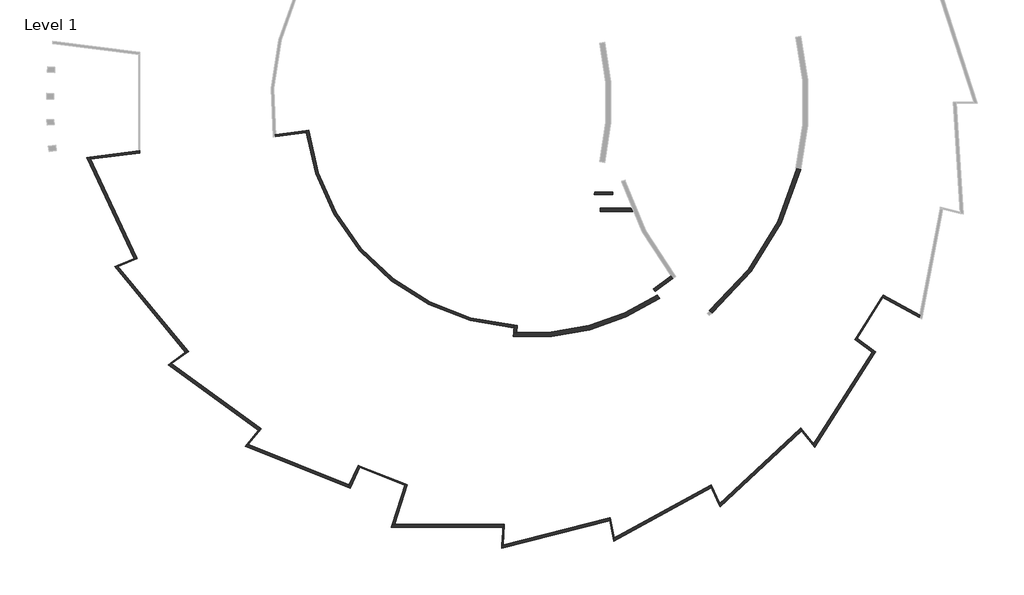
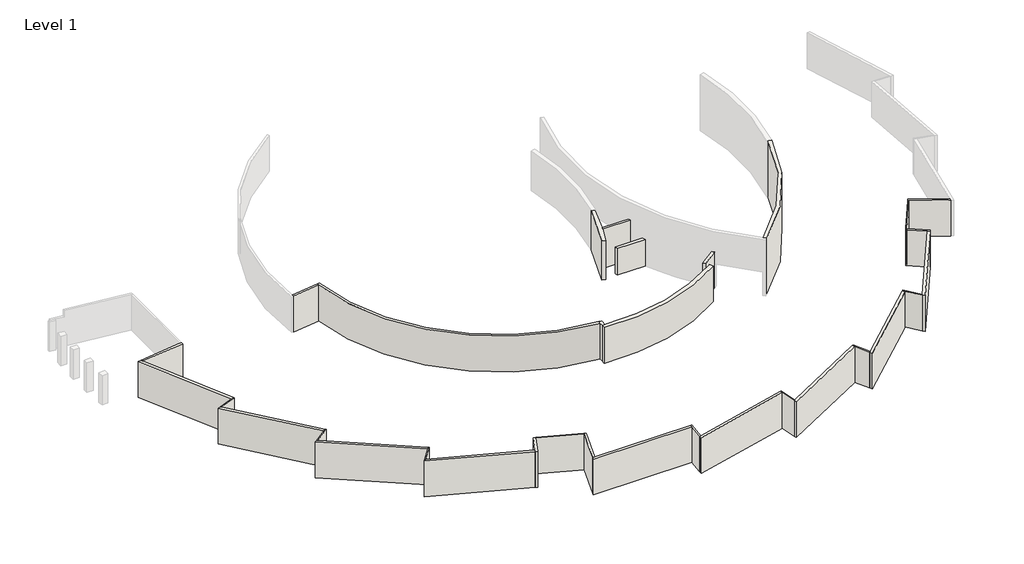
# One storey, part 1 of 3: 32 walls.
"""IFC4 building model written with IfcOpenShell, lengths in millimetres."""

from ifc_helpers import new_model, si_unit, point, frame, frame_2d, origin, origin_with_axes, place, context, project, spatial, polyline, circle_curve, trimmed, segment, composite_curve, outline, extrude, faceted_brep, element, save
from ifc_brep_helpers import plane_surface, cylinder_surface, revolved_surface, advanced_brep

model = new_model("IFC4")

# Units and contexts
model_context = context("Model", 3, world=origin())
ifc_project = project(units=[si_unit("LENGTHUNIT", "METRE", prefix="MILLI")], contexts=[model_context])

# Site, building, storey
site = spatial("IfcSite", under=ifc_project)
building = spatial("IfcBuilding", under=site)
storey = spatial("IfcBuildingStorey", under=building, Name="Level 1", Elevation=0.0)

# Walls
placement = place(None, origin())
element("IfcWall", 1, ObjectType="Generic - 10\"", at=placement, inside=storey, context=model_context, shape_type="AdvancedBrep", body=[
    advanced_brep(
    [(-6320.6791854, -18524.5549045, 0.0), (-6337.9605954, -18777.9698517, 0.0), (-24194.6720364, -1974.5698404, 0.0), (-24220.7846255, -1773.0339394, 0.0), (-23968.8866736, -1740.39647, 0.0), (-23968.8866736, -1740.39647, 3702.05), (-6320.6791854, -18524.5549045, 3702.05), (-6337.9605954, -18777.9698517, 3702.05), (-24194.6750107, -1974.549517, 3702.05), (-24220.7846255, -1773.0339394, 3702.05)],
    [
        (0, 1),
        (1, 2, circle_curve(frame((-4912.8763403, 626.1698053, 0.0), z_axis=(0.0, 0.0, -1.0), x_axis=(1.0, 0.0, 0.0)), 19456.4)),
        (2, 3, circle_curve(frame((-4912.8763403, 626.1698053, 0.0), z_axis=(0.0, 0.0, -1.0), x_axis=(1.0, 0.0, 0.0)), 19456.399769)),
        (3, 4),
        (4, 0, circle_curve(frame((-4912.8763403, 626.1698053, 0.0), z_axis=(0.0, 0.0, 1.0), x_axis=(1.0, 0.0, 0.0)), 19202.4)),
        (5, 6, circle_curve(frame((-4912.8763403, 626.1698053, 3702.05), z_axis=(0.0, 0.0, 1.0), x_axis=(1.0, 0.0, 0.0)), 19202.4)),
        (6, 0),
        (4, 5),
        (7, 8, circle_curve(frame((-4912.8763403, 626.1698053, 3702.05), z_axis=(0.0, 0.0, -1.0), x_axis=(1.0, 0.0, 0.0)), 19456.4)),
        (8, 9, circle_curve(frame((-4912.8763403, 626.1698053, 3702.05), z_axis=(0.0, 0.0, -1.0), x_axis=(1.0, 0.0, 0.0)), 19456.4)),
        (9, 3),
        (1, 7),
        (9, 5),
        (6, 7),
    ],
    [
        plane_surface(frame((14289.5236597, 626.1698053, 0.0), z_axis=(0.0, 0.0, -1.0), x_axis=(0.0, 1.0, 0.0))),
        revolved_surface(polyline([(14289.5236597, 626.1698053, 0.0), (14289.5236597, 626.1698053, 3702.05)]), (-4912.8763403, 626.1698053, 0.0), (0.0, 0.0, -1.0)),
        cylinder_surface(frame((-4912.8763403, 626.1698053, 0.0), z_axis=(0.0, 0.0, 1.0), x_axis=(1.0, 0.0, 0.0)), 19456.4),
        plane_surface(frame((-4925.9311477, 726.9275941, 0.0), z_axis=(-0.12849219893243696, 0.9917105196646384, 0.0), x_axis=(-0.9917105196646384, -0.12849219893243696, 0.0))),
        plane_surface(frame((-6253.8388426, -17544.4067657, 0.0), z_axis=(0.9976828594574237, -0.06803610765511643, 0.0), x_axis=(-0.06803610765511643, -0.9976828594574237, 0.0))),
        plane_surface(frame((-34574.7876747, -20861.6779878, 3702.05), z_axis=(0.0, 0.0, 1.0), x_axis=(1.0, 0.0, 0.0))),
    ],
    [
        (0, [[1, 2, 3, 4, 5]]),
        (1, [[6, 7, -5, 8]]),
        (2, [[9, 10, 11, -3, -2, 12]]),
        (3, [[13, -8, -4, -11]]),
        (4, [[14, -12, -1, -7]]),
        (5, [[-6, -13, -10, -9, -14]]),
    ],
),
])
element("IfcWall", 2, ObjectType="Generic - 10\"", at=placement, inside=storey, context=model_context, shape_type="Brep", body=[
    faceted_brep([(24456.1027774, -20837.2270344, 0.0), (19434.0334353, -28724.4927108, 0.0), (19376.6841803, -28814.5609236, 0.0), (19376.6841803, -28814.5609236, 3702.05), (19434.0334353, -28724.4927108, 3702.05), (24456.1027774, -20837.2270344, 3702.05), (24661.9801331, -20986.8056888, 0.0), (24661.9801331, -20986.8056888, 3702.05), (19546.8389299, -29020.2426833, 3702.05), (19546.8389299, -29020.2426833, 0.0)], [[[0, 1, 2, 3, 4, 5]], [[6, 7, 8, 9]], [[2, 1, 0, 6, 9]], [[3, 2, 9, 8]], [[0, 5, 7, 6]], [[5, 4, 3, 8, 7]]]),
])
element("IfcWall", 3, ObjectType="Generic - 10\"", at=placement, inside=storey, context=model_context, shape_type="Brep", body=[
    faceted_brep([(18232.8462753, -27431.8984139, 0.0), (11369.9175445, -33857.2179207, 0.0), (11291.9709682, -33930.1942952, 0.0), (11291.9709682, -33930.1942952, 3702.05), (11369.9175445, -33857.2179207, 3702.05), (18232.8462753, -27431.8984139, 3702.05), (18395.0569165, -27627.9773962, 0.0), (18395.0569165, -27627.9773962, 3702.05), (11405.6290198, -34171.7299497, 3702.05), (11405.6290198, -34171.7299497, 0.0)], [[[0, 1, 2, 3, 4, 5]], [[6, 7, 8, 9]], [[2, 1, 0, 6, 9]], [[3, 2, 9, 8]], [[0, 5, 7, 6]], [[5, 4, 3, 8, 7]]]),
])
element("IfcWall", 4, ObjectType="Generic - 10\"", at=placement, inside=storey, context=model_context, shape_type="Brep", body=[
    faceted_brep([(10527.9230178, -32306.5097513, 0.0), (2282.6938301, -36823.2250587, 0.0), (2189.0476024, -36874.524221, 0.0), (2189.0476024, -36874.524221, 3702.05), (2282.6938301, -36823.2250587, 3702.05), (10527.9230178, -32306.5097513, 3702.05), (10636.2746535, -32536.7686978, 0.0), (10636.2746535, -32536.7686978, 3702.05), (2239.0674027, -37136.7371967, 3702.05), (2239.0674027, -37136.7371967, 0.0)], [[[0, 1, 2, 3, 4, 5]], [[6, 7, 8, 9]], [[2, 1, 0, 6, 9]], [[3, 2, 9, 8]], [[0, 5, 7, 6]], [[5, 4, 3, 8, 7]]]),
])
element("IfcWall", 5, ObjectType="Generic - 10\"", at=placement, inside=storey, context=model_context, shape_type="Brep", body=[
    faceted_brep([(-7247.4400919, -35671.6191037, 0.0), (-16595.3455145, -35657.5577523, 0.0), (-16808.8982641, -35657.2365209, 0.0), (-16808.8982641, -35657.2365209, 3702.05), (-16595.3455145, -35657.5577523, 3702.05), (-7247.4400919, -35671.6191037, 3702.05), (-7263.4189233, -35925.5953553, 0.0), (-7263.4189233, -35925.5953553, 3702.05), (-16891.3876434, -35911.1127257, 3702.05), (-16891.3876434, -35911.1127257, 0.0)], [[[0, 1, 2, 3, 4, 5]], [[6, 7, 8, 9]], [[2, 1, 0, 6, 9]], [[3, 2, 9, 8]], [[0, 5, 7, 6]], [[5, 4, 3, 8, 7]]]),
])
element("IfcWall", 6, ObjectType="Generic - 10\"", at=placement, inside=storey, context=model_context, shape_type="Brep", body=[
    faceted_brep([(-20492.8994981, -32244.4434643, 0.0), (-29181.5019704, -28789.2549882, 0.0), (-29280.7210064, -28749.7986463, 0.0), (-29280.7210064, -28749.7986463, 3702.05), (-29181.5019704, -28789.2549882, 3702.05), (-20492.8994981, -32244.4434643, 3702.05), (-20601.2511337, -32474.7024108, 0.0), (-20601.2511337, -32474.7024108, 3702.05), (-29450.8757559, -28955.480406, 3702.05), (-29450.8757559, -28955.480406, 0.0)], [[[0, 1, 2, 3, 4, 5]], [[6, 7, 8, 9]], [[2, 1, 0, 6, 9]], [[3, 2, 9, 8]], [[0, 5, 7, 6]], [[5, 4, 3, 8, 7]]]),
])
element("IfcWall", 7, ObjectType="Generic - 10\"", at=placement, inside=storey, context=model_context, shape_type="Brep", body=[
    faceted_brep([(-28136.8831013, -27367.1361366, 0.0), (-35734.3771421, -21829.7535575, 0.0), (-35820.6666364, -21766.8620383, 0.0), (-35820.6666364, -21766.8620383, 3702.05), (-35734.3771421, -21829.7535575, 3702.05), (-28136.8831013, -27367.1361366, 3702.05), (-28299.0937426, -27563.2151189, 0.0), (-28299.0937426, -27563.2151189, 3702.05), (-36036.6266352, -21923.7661618, 3702.05), (-36036.6266352, -21923.7661618, 0.0)], [[[0, 1, 2, 3, 4, 5]], [[6, 7, 8, 9]], [[2, 1, 0, 6, 9]], [[3, 2, 9, 8]], [[0, 5, 7, 6]], [[5, 4, 3, 8, 7]]]),
])
element("IfcWall", 8, ObjectType="Generic - 10\"", at=placement, inside=storey, context=model_context, shape_type="Brep", body=[
    faceted_brep([(-34368.910319, -20712.0993334, 0.0), (-40350.6240649, -13459.2638748, 0.0), (-40418.5621313, -13376.8888838, 0.0), (-40418.5621313, -13376.8888838, 3702.05), (-40350.6240649, -13459.2638748, 3702.05), (-34368.910319, -20712.0993334, 3702.05), (-34574.7876747, -20861.6779878, 0.0), (-34574.7876747, -20861.6779878, 3702.05), (-40666.7578184, -13475.156508, 3702.05), (-40666.7578184, -13475.156508, 0.0)], [[[0, 1, 2, 3, 4, 5]], [[6, 7, 8, 9]], [[2, 1, 0, 6, 9]], [[3, 2, 9, 8]], [[0, 5, 7, 6]], [[5, 4, 3, 8, 7]]]),
])
element("IfcWall", 9, ObjectType="Generic - 10\"", at=placement, inside=storey, context=model_context, shape_type="Brep", body=[
    faceted_brep([(-38750.1065901, -12716.3006036, 0.0), (-42717.5280474, -4252.0758611, 0.0), (-42808.163727, -4058.7107825, 0.0), (-42808.163727, -4058.7107825, 3702.05), (-42717.5280474, -4252.0758611, 3702.05), (-38750.1065901, -12716.3006036, 3702.05), (-38986.7146287, -12809.9803532, 0.0), (-38986.7146287, -12809.9803532, 3702.05), (-43073.0000546, -4092.1673912, 3702.05), (-43073.0000546, -4092.1673912, 0.0)], [[[0, 1, 2, 3, 4, 5]], [[6, 7, 8, 9]], [[2, 1, 0, 6, 9]], [[3, 2, 9, 8]], [[0, 5, 7, 6]], [[5, 4, 3, 8, 7]]]),
])
element("IfcWall", 10, ObjectType="Generic - 10\"", at=placement, inside=storey, context=model_context, shape_type="SweptSolid", body=[
    extrude(outline(composite_curve([segment(trimmed(circle_curve(frame_2d((25871.9236597, 626.1698053)), 23926.8), [point((7170.1048478, -14298.0967217))], [point((7329.5883462, -14495.7863963))], True, "CARTESIAN"), True, "CONTINUOUS"), segment(trimmed(circle_curve(frame_2d((-4912.8763403, 626.1698053)), 19456.4), [point((7329.5883462, -14495.7863963))], [point((5798.6908202, -15616.1770057))], False, "CARTESIAN"), True, "CONTINUOUS"), segment(polyline([(5798.6908202, -15616.1770057), (5658.8531288, -15404.1359246)]), True, "CONTINUOUS"), segment(trimmed(circle_curve(frame_2d((-4912.8763403, 626.1698053)), 19202.4), [point((5658.8531288, -15404.1359246))], [point((7170.1048478, -14298.0967217))], True, "CARTESIAN"), True, "CONTINUOUS")], self_intersect=False)), origin_with_axes(), (0.0, 0.0, 1.0), 3702.05),
])
element("IfcWall", 11, ObjectType="Generic - 10\"", at=placement, inside=storey, context=model_context, shape_type="AdvancedBrep", body=[
    advanced_brep(
    [(-6320.6791854, -18524.5549045, 0.0), (-6337.9605954, -18777.9698517, 0.0), (-6362.1545593, -19132.7506269, 0.0), (-6362.1545593, -19132.7506269, 3702.05), (-6337.9605954, -18777.9698517, 3702.05), (-6320.6791854, -18524.5549045, 3702.05), (-6067.2448798, -18541.5008679, 0.0), (-6067.2448798, -18541.5008679, 3702.05), (-6108.7209571, -19149.7069048, 3702.05), (-6108.7209571, -19149.7069048, 0.0)],
    [
        (0, 1),
        (1, 2),
        (2, 3),
        (3, 4),
        (4, 5),
        (5, 0),
        (6, 7),
        (7, 8),
        (8, 9),
        (9, 6),
        (0, 6, circle_curve(frame((-4912.8763403, 626.1698053, 0.0), z_axis=(0.0, 0.0, 1.0), x_axis=(1.0, 0.0, 0.0)), 19202.4)),
        (9, 2, circle_curve(frame((-4912.8763403, 626.1698053, 0.0), z_axis=(0.0, 0.0, -1.0), x_axis=(1.0, 0.0, 0.0)), 19812.0)),
        (5, 7, circle_curve(frame((-4912.8763403, 626.1698053, 3702.05), z_axis=(0.0, 0.0, 1.0), x_axis=(1.0, 0.0, 0.0)), 19202.4)),
        (8, 3, circle_curve(frame((-4912.8763403, 626.1698053, 3702.05), z_axis=(0.0, 0.0, -1.0), x_axis=(1.0, 0.0, 0.0)), 19812.0)),
    ],
    [
        plane_surface(frame((-6253.8388426, -17544.4067657, 0.0), z_axis=(-0.9976828594574237, 0.06803610765511643, 0.0), x_axis=(-0.06803610765511643, -0.9976828594574237, 0.0))),
        plane_surface(frame((-6000.4273963, -17561.687937, 0.0), z_axis=(0.9976828594574237, -0.06803610765511643, 0.0), x_axis=(0.06803610765511643, 0.9976828594574237, 0.0))),
        plane_surface(frame((-6329.3369227, -18651.5121399, 0.0), z_axis=(0.0, 0.0, -1.0), x_axis=(0.997682859457424, -0.06803610765511221, 0.0))),
        revolved_surface(polyline([(14289.5236597, 626.1698053, 0.0), (14289.5236597, 626.1698053, 3702.05)]), (-4912.8763403, 626.1698053, 0.0), (0.0, 0.0, -1.0)),
        cylinder_surface(frame((-4912.8763403, 626.1698053, 0.0), z_axis=(0.0, 0.0, -1.0), x_axis=(1.0, 0.0, 0.0)), 19812.0),
        plane_surface(frame((-34574.7876747, -20861.6779878, 3702.05), z_axis=(0.0, 0.0, 1.0), x_axis=(1.0, 0.0, 0.0))),
    ],
    [
        (0, [[1, 2, 3, 4, 5, 6]]),
        (1, [[7, 8, 9, 10]]),
        (2, [[-2, -1, 11, -10, 12]]),
        (3, [[-6, 13, -7, -11]]),
        (4, [[-3, -12, -9, 14]]),
        (5, [[-5, -4, -14, -8, -13]]),
    ],
),
])
element("IfcWall", 12, ObjectType="MASONRY WALL - 10\"", at=placement, inside=storey, context=model_context, shape_type="Brep", body=[
    faceted_brep([(1852.7975494, -35111.8397141, 0.0), (-7256.6540217, -37436.1489882, 0.0), (-7360.1157638, -37462.5476231, 0.0), (-7360.1157638, -37462.5476231, 3702.05), (-7256.6540217, -37436.1489882, 3702.05), (1852.7975494, -35111.8397141, 3702.05), (1900.4820478, -35361.8106085, 0.0), (1900.4820478, -35361.8106085, 3702.05), (-7376.8771429, -37728.9621146, 3702.05), (-7376.8771429, -37728.9621146, 0.0)], [[[0, 1, 2, 3, 4, 5]], [[6, 7, 8, 9]], [[2, 1, 0, 6, 9]], [[3, 2, 9, 8]], [[0, 5, 7, 6]], [[5, 4, 3, 8, 7]]]),
])
element("IfcWall", 13, ObjectType="MASONRY WALL - 12-1/2\"", at=placement, inside=storey, context=model_context, shape_type="AdvancedBrep", body=[
    advanced_brep(
    [(18001.9291929, -5058.0833443, 5759.45), (10479.5236597, -17275.5918044, 5759.45), (10724.6561886, -17483.477752, 5759.45), (18310.0895685, -5134.5256944, 5759.45), (18001.9291929, -5058.0833443, 0.0), (18310.0895685, -5134.5256944, 0.0), (10724.6561886, -17483.477752, 0.0), (10491.1568111, -17285.5877186, 0.0), (10479.5236597, -17275.5918044, 0.0)],
    [
        (0, 1, circle_curve(frame((-4912.8763403, 626.1698053, 5759.45), z_axis=(0.0, 0.0, -1.0), x_axis=(1.0, 0.0, 0.0)), 23609.3)),
        (1, 2, circle_curve(frame((25871.9236597, 626.1698053, 5759.45), z_axis=(0.0, 0.0, 1.0), x_axis=(1.0, 0.0, 0.0)), 23609.3)),
        (2, 3, circle_curve(frame((-4912.8763403, 626.1698053, 5759.45), z_axis=(0.0, 0.0, 1.0), x_axis=(1.0, 0.0, 0.0)), 23926.8)),
        (3, 0),
        (4, 5),
        (5, 6, circle_curve(frame((-4912.8763403, 626.1698053, 0.0), z_axis=(0.0, 0.0, -1.0), x_axis=(1.0, 0.0, 0.0)), 23926.8)),
        (6, 7, circle_curve(frame((25871.9236597, 626.1698053, 0.0), z_axis=(0.0, 0.0, -1.0), x_axis=(1.0, 0.0, 0.0)), 23609.3)),
        (7, 8, circle_curve(frame((25871.9236597, 626.1698053, 0.0), z_axis=(0.0, 0.0, -1.0), x_axis=(1.0, 0.0, 0.0)), 23609.2999991)),
        (8, 4, circle_curve(frame((-4912.8763403, 626.1698053, 0.0), z_axis=(0.0, 0.0, 1.0), x_axis=(1.0, 0.0, 0.0)), 23609.3)),
        (0, 4),
        (8, 1),
        (2, 6),
        (5, 3),
    ],
    [
        plane_surface(frame((18696.4236597, 626.1698053, 5759.45), z_axis=(0.0, 0.0, 1.0), x_axis=(0.0, -1.0, 0.0))),
        plane_surface(frame((18696.4236597, 626.1698053, 0.0), z_axis=(0.0, 0.0, -1.0), x_axis=(0.0, 1.0, 0.0))),
        revolved_surface(polyline([(18696.423659699998, 626.1698053, 0.0), (18696.423659699998, 626.1698053, 5759.45)]), (-4912.8763403, 626.1698053, 0.0), (0.0, 0.0, -1.0)),
        cylinder_surface(frame((-4912.8763403, 626.1698053, 0.0), z_axis=(0.0, 0.0, 1.0), x_axis=(1.0, 0.0, 0.0)), 23926.8),
        plane_surface(frame((18310.0895685, -5134.5256944, 5759.45), z_axis=(0.240763307239224, 0.9705838603063782, 0.0), x_axis=(0.0, 0.0, -1.0))),
        cylinder_surface(frame((25871.9236597, 626.1698053, 0.0), z_axis=(0.0, 0.0, -1.0), x_axis=(1.0, 0.0, 0.0)), 23609.3),
    ],
    [
        (0, [[1, 2, 3, 4]]),
        (1, [[5, 6, 7, 8, 9]]),
        (2, [[-1, 10, -9, 11]]),
        (3, [[-3, 12, -6, 13]]),
        (4, [[-4, -13, -5, -10]]),
        (5, [[-2, -11, -8, -7, -12]]),
    ],
),
])
element("IfcWall", 14, ObjectType="MASONRY WALL - 12-1/2\"", at=placement, inside=storey, context=model_context, shape_type="AdvancedBrep", body=[
    advanced_brep(
    [(1052.0686943, -4440.8076563, 4064.0), (-356.3846938, -8708.8954584, 4064.0), (-65.9928945, -8837.2654428, 4064.0), (559.1388968, -7273.2330593, 4064.0), (630.940231, -7070.0266724, 4064.0), (1361.8286645, -4510.4855642, 4064.0), (1052.0686943, -4440.8076563, 0.0), (1361.8286645, -4510.4855642, 0.0), (630.940231, -7070.0266724, 0.0), (559.1388968, -7273.2330593, 0.0), (-65.9928945, -8837.2654428, 0.0), (-356.3846938, -8708.8954584, 0.0)],
    [
        (0, 1, circle_curve(frame((-21473.6763403, 626.1698053, 4064.0), z_axis=(0.0, 0.0, -1.0), x_axis=(1.0, 0.0, 0.0)), 23088.6)),
        (1, 2),
        (2, 3, circle_curve(frame((-21473.6763403, 626.1698053, 4064.0), z_axis=(0.0, 0.0, 1.0), x_axis=(1.0, 0.0, 0.0)), 23406.1)),
        (3, 4, circle_curve(frame((-21473.6763403, 626.1698053, 4064.0), z_axis=(0.0, 0.0, 1.0), x_axis=(1.0, 0.0, 0.0)), 23406.0999077)),
        (4, 5, circle_curve(frame((-21473.6763403, 626.1698053, 4064.0), z_axis=(0.0, 0.0, 1.0), x_axis=(1.0, 0.0, 0.0)), 23406.0999312)),
        (5, 0),
        (6, 7),
        (7, 8, circle_curve(frame((-21473.6763403, 626.1698053, 0.0), z_axis=(0.0, 0.0, -1.0), x_axis=(1.0, 0.0, 0.0)), 23406.1)),
        (8, 9, circle_curve(frame((-21473.6763403, 626.1698053, 0.0), z_axis=(0.0, 0.0, -1.0), x_axis=(1.0, 0.0, 0.0)), 23406.0999312)),
        (9, 10, circle_curve(frame((-21473.6763403, 626.1698053, 0.0), z_axis=(0.0, 0.0, -1.0), x_axis=(1.0, 0.0, 0.0)), 23406.0999077)),
        (10, 11),
        (11, 6, circle_curve(frame((-21473.6763403, 626.1698053, 0.0), z_axis=(0.0, 0.0, 1.0), x_axis=(1.0, 0.0, 0.0)), 23088.6)),
        (0, 6),
        (11, 1),
        (10, 2),
        (7, 5),
    ],
    [
        plane_surface(frame((1614.9236597, 626.1698053, 4064.0), z_axis=(0.0, 0.0, 1.0), x_axis=(0.0, -1.0, 0.0))),
        plane_surface(frame((1614.9236597, 626.1698053, 0.0), z_axis=(0.0, 0.0, -1.0), x_axis=(0.0, 1.0, 0.0))),
        revolved_surface(polyline([(1614.923659699998, 626.1698053, 0.0), (1614.923659699998, 626.1698053, 4064.0)]), (-21473.6763403, 626.1698053, 0.0), (0.0, 0.0, -1.0)),
        plane_surface(frame((-356.3846938, -8708.8954584, 4064.0), z_axis=(-0.40431491141423936, -0.9146198403752763, 0.0), x_axis=(0.0, 0.0, -1.0))),
        cylinder_surface(frame((-21473.6763403, 626.1698053, 0.0), z_axis=(0.0, 0.0, 1.0), x_axis=(1.0, 0.0, 0.0)), 23406.1),
        plane_surface(frame((1361.8286645, -4510.4855642, 4064.0), z_axis=(0.21945797759840693, 0.9756219534575968, 0.0), x_axis=(0.0, 0.0, -1.0))),
    ],
    [
        (0, [[1, 2, 3, 4, 5, 6]]),
        (1, [[7, 8, 9, 10, 11, 12]]),
        (2, [[-1, 13, -12, 14]]),
        (3, [[-2, -14, -11, 15]]),
        (4, [[-5, -4, -3, -15, -10, -9, -8, 16]]),
        (5, [[-6, -16, -7, -13]]),
    ],
),
])
element("IfcWall", 15, ObjectType="MASONRY WALL - 12-1/2\"", at=placement, inside=storey, context=model_context, shape_type="SweptSolid", body=[
    extrude(outline(composite_curve([segment(polyline([(3862.6551087, -8759.1301947), (1102.4071055, -8759.1301947), (1102.4071055, -8441.6301947), (3729.9553326, -8441.6301947)]), True, "CONTINUOUS"), segment(trimmed(circle_curve(frame_2d((25871.9236597, 626.1698053)), 23926.8), [point((3729.9553326, -8441.6301947))], [point((3862.6551087, -8759.1301947))], True, "CARTESIAN"), True, "CONTINUOUS")], self_intersect=False)), origin_with_axes(), (0.0, 0.0, 1.0), 2743.2),
])
element("IfcWall", 16, ObjectType="MASONRY WALL - 15\"", at=placement, inside=storey, context=model_context, shape_type="AdvancedBrep", body=[
    advanced_brep(
    [(5994.4635881, -15913.0345192, 0.0), (6204.2201252, -16231.0961408, 0.0), (-6388.0766507, -19512.8727004, 0.0), (-6362.1545593, -19132.7506269, 0.0), (-6108.7011849, -19149.7079157, 0.0), (-6362.1545593, -19132.7506269, 3702.05), (-6108.7209571, -19149.7069048, 3702.05), (5909.5037315, -15968.7521163, 3702.05), (5994.4635881, -15913.0345192, 3702.05), (6204.2201252, -16231.0961408, 3702.05), (-6388.0766507, -19512.8727004, 3702.05)],
    [
        (0, 1),
        (1, 2, circle_curve(frame((-4912.8763403, 626.1698053, 0.0), z_axis=(0.0, 0.0, -1.0), x_axis=(1.0, 0.0, 0.0)), 20193.0)),
        (2, 3),
        (3, 4, circle_curve(frame((-4912.8763403, 626.1698053, 0.0), z_axis=(0.0, 0.0, 1.0), x_axis=(1.0, 0.0, 0.0)), 19812.0)),
        (4, 0, circle_curve(frame((-4912.8763403, 626.1698053, 0.0), z_axis=(0.0, 0.0, 1.0), x_axis=(1.0, 0.0, 0.0)), 19811.9998156)),
        (5, 6, circle_curve(frame((-4912.8763403, 626.1698053, 3702.05), z_axis=(0.0, 0.0, 1.0), x_axis=(1.0, 0.0, 0.0)), 19812.0)),
        (6, 7, circle_curve(frame((-4912.8763403, 626.1698053, 3702.05), z_axis=(0.0, 0.0, 1.0), x_axis=(1.0, 0.0, 0.0)), 19812.0)),
        (7, 8, circle_curve(frame((-4912.8763403, 626.1698053, 3702.05), z_axis=(0.0, 0.0, 1.0), x_axis=(1.0, 0.0, 0.0)), 19812.0)),
        (8, 0),
        (3, 5),
        (9, 10, circle_curve(frame((-4912.8763403, 626.1698053, 3702.05), z_axis=(0.0, 0.0, -1.0), x_axis=(1.0, 0.0, 0.0)), 20193.0)),
        (10, 2),
        (1, 9),
        (8, 9),
        (10, 5),
    ],
    [
        plane_surface(frame((14899.1236597, 626.1698053, 0.0), z_axis=(0.0, 0.0, -1.0), x_axis=(0.0, 1.0, 0.0))),
        revolved_surface(polyline([(14899.123659699999, 626.1698053, 0.0), (14899.123659699999, 626.1698053, 3702.05)]), (-4912.8763403, 626.1698053, 0.0), (0.0, 0.0, -1.0)),
        cylinder_surface(frame((-4912.8763403, 626.1698053, 0.0), z_axis=(0.0, 0.0, 1.0), x_axis=(1.0, 0.0, 0.0)), 20193.0),
        plane_surface(frame((6204.2201252, -16231.0961408, 4064.0), z_axis=(0.8348074058383347, 0.5505420920851284, 0.0), x_axis=(0.0, 0.0, -1.0))),
        plane_surface(frame((-6253.8388426, -17544.4067657, 0.0), z_axis=(-0.9976828594574237, 0.06803610765511643, 0.0), x_axis=(-0.06803610765511643, -0.9976828594574237, 0.0))),
        plane_surface(frame((-34574.7876747, -20861.6779878, 3702.05), z_axis=(0.0, 0.0, 1.0), x_axis=(1.0, 0.0, 0.0))),
    ],
    [
        (0, [[1, 2, 3, 4, 5]]),
        (1, [[6, 7, 8, 9, -5, -4, 10]]),
        (2, [[11, 12, -2, 13]]),
        (3, [[14, -13, -1, -9]]),
        (4, [[15, -10, -3, -12]]),
        (5, [[-8, -7, -6, -15, -11, -14]]),
    ],
),
])
element("IfcWall", 17, ObjectType="MASONRY WALL - 4\"", at=placement, inside=storey, context=model_context, shape_type="Brep", body=[
    faceted_brep([(18232.8462753, -27431.8984139, 0.0), (18395.0569165, -27627.9773962, 0.0), (19376.6841803, -28814.5609236, 0.0), (19376.6841803, -28814.5609236, 3702.05), (18395.0569165, -27627.9773962, 3702.05), (18232.8462753, -27431.8984139, 3702.05), (18307.153717, -27362.3291275, 0.0), (18307.153717, -27362.3291275, 3702.05), (19434.0334353, -28724.4927108, 3702.05), (19434.0334353, -28724.4927108, 0.0)], [[[0, 1, 2, 3, 4, 5]], [[6, 7, 8, 9]], [[2, 1, 0, 6, 9]], [[0, 5, 7, 6]], [[3, 2, 9, 8]], [[5, 4, 3, 8, 7]]]),
])
element("IfcWall", 18, ObjectType="MASONRY WALL - 4\"", at=placement, inside=storey, context=model_context, shape_type="Brep", body=[
    faceted_brep([(10527.9230178, -32306.5097513, 0.0), (10636.2746535, -32536.7686978, 0.0), (11291.9709682, -33930.1942952, 0.0), (11291.9709682, -33930.1942952, 3702.05), (10636.2746535, -32536.7686978, 3702.05), (10527.9230178, -32306.5097513, 3702.05), (10617.1971326, -32257.6056212, 0.0), (10617.1971326, -32257.6056212, 3702.05), (11369.9175445, -33857.2179207, 3702.05), (11369.9175445, -33857.2179207, 0.0)], [[[0, 1, 2, 3, 4, 5]], [[6, 7, 8, 9]], [[2, 1, 0, 6, 9]], [[0, 5, 7, 6]], [[3, 2, 9, 8]], [[5, 4, 3, 8, 7]]]),
])
element("IfcWall", 19, ObjectType="MASONRY WALL - 4\"", at=placement, inside=storey, context=model_context, shape_type="Brep", body=[
    faceted_brep([(1852.7975494, -35111.8397141, 0.0), (1900.4820478, -35361.8106085, 0.0), (2189.0476024, -36874.524221, 0.0), (2189.0476024, -36874.524221, 3702.05), (1900.4820478, -35361.8106085, 3702.05), (1852.7975494, -35111.8397141, 3702.05), (1951.4289163, -35086.6735668, 0.0), (1951.4289163, -35086.6735668, 3702.05), (2282.6938301, -36823.2250587, 3702.05), (2282.6938301, -36823.2250587, 0.0)], [[[0, 1, 2, 3, 4, 5]], [[6, 7, 8, 9]], [[2, 1, 0, 6, 9]], [[0, 5, 7, 6]], [[3, 2, 9, 8]], [[5, 4, 3, 8, 7]]]),
])
element("IfcWall", 20, ObjectType="MASONRY WALL - 4\"", at=placement, inside=storey, context=model_context, shape_type="Brep", body=[
    faceted_brep([(-7247.4400919, -35671.6191037, 0.0), (-7263.4189233, -35925.5953553, 0.0), (-7360.1157638, -37462.5476231, 0.0), (-7360.1157638, -37462.5476231, 3702.05), (-7263.4189233, -35925.5953553, 3702.05), (-7247.4400919, -35671.6191037, 3702.05), (-7145.6488444, -35671.7722206, 0.0), (-7145.6488444, -35671.7722206, 3702.05), (-7256.6540217, -37436.1489882, 3702.05), (-7256.6540217, -37436.1489882, 0.0)], [[[0, 1, 2, 3, 4, 5]], [[6, 7, 8, 9]], [[2, 1, 0, 6, 9]], [[0, 5, 7, 6]], [[3, 2, 9, 8]], [[5, 4, 3, 8, 7]]]),
])
element("IfcWall", 21, ObjectType="MASONRY WALL - 4\"", at=placement, inside=storey, context=model_context, shape_type="Brep", body=[
    faceted_brep([(-28136.8831013, -27367.1361366, 0.0), (-28299.0937426, -27563.2151189, 0.0), (-29280.7210064, -28749.7986463, 0.0), (-29280.7210064, -28749.7986463, 3702.05), (-28299.0937426, -27563.2151189, 3702.05), (-28136.8831013, -27367.1361366, 3702.05), (-28054.6222521, -27427.0914049, 0.0), (-28054.6222521, -27427.0914049, 3702.05), (-29181.5019704, -28789.2549882, 3702.05), (-29181.5019704, -28789.2549882, 0.0)], [[[0, 1, 2, 3, 4, 5]], [[6, 7, 8, 9]], [[2, 1, 0, 6, 9]], [[0, 5, 7, 6]], [[3, 2, 9, 8]], [[5, 4, 3, 8, 7]]]),
])
element("IfcWall", 22, ObjectType="MASONRY WALL - 4\"", at=placement, inside=storey, context=model_context, shape_type="Brep", body=[
    faceted_brep([(-34368.910319, -20712.0993334, 0.0), (-34574.7876747, -20861.6779878, 0.0), (-35820.6666364, -21766.8620383, 0.0), (-35820.6666364, -21766.8620383, 3702.05), (-34574.7876747, -20861.6779878, 3702.05), (-34368.910319, -20712.0993334, 3702.05), (-34304.1441145, -20790.628438, 0.0), (-34304.1441145, -20790.628438, 3702.05), (-35734.3771421, -21829.7535575, 3702.05), (-35734.3771421, -21829.7535575, 0.0)], [[[0, 1, 2, 3, 4, 5]], [[6, 7, 8, 9]], [[2, 1, 0, 6, 9]], [[0, 5, 7, 6]], [[3, 2, 9, 8]], [[5, 4, 3, 8, 7]]]),
])
element("IfcWall", 23, ObjectType="MASONRY WALL - 4\"", at=placement, inside=storey, context=model_context, shape_type="Brep", body=[
    faceted_brep([(-38750.1065901, -12716.3006036, 0.0), (-38986.7146287, -12809.9803532, 0.0), (-40418.5621313, -13376.8888838, 0.0), (-40418.5621313, -13376.8888838, 3702.05), (-38986.7146287, -12809.9803532, 3702.05), (-38750.1065901, -12716.3006036, 3702.05), (-38706.9045292, -12808.469272, 0.0), (-38706.9045292, -12808.469272, 3702.05), (-40350.6240649, -13459.2638748, 3702.05), (-40350.6240649, -13459.2638748, 0.0)], [[[0, 1, 2, 3, 4, 5]], [[6, 7, 8, 9]], [[2, 1, 0, 6, 9]], [[0, 5, 7, 6]], [[3, 2, 9, 8]], [[5, 4, 3, 8, 7]]]),
])
element("IfcWall", 24, ObjectType="MASONRY WALL - 4\"", at=placement, inside=storey, context=model_context, shape_type="SweptSolid", body=[
    extrude(outline(polyline([(-19523.5942366, -30661.8074929), (-15682.1411136, -32189.4345887), (-15713.6023289, -32286.2622528), (-19566.9348908, -30753.9110715), (-19523.5942366, -30661.8074929)])), origin_with_axes(), (0.0, 0.0, 1.0), 3702.05),
])
element("IfcWall", 25, ObjectType="MASONRY WALL - 4\"", at=placement, inside=storey, context=model_context, shape_type="SweptSolid", body=[
    extrude(outline(polyline([(25392.7318266, -16150.4204172), (23165.4802766, -19648.3658869), (23083.1293343, -19588.5344251), (25303.5144905, -16101.3727716), (25392.7318266, -16150.4204172)])), origin_with_axes(), (0.0, 0.0, 1.0), 3702.05),
])
element("IfcWall", 26, ObjectType="MASONRY WALL - 8\"", at=placement, inside=storey, context=model_context, shape_type="SweptSolid", body=[
    extrude(outline(composite_curve([segment(polyline([(-26840.5185829, -2112.4630067), (-24220.7846255, -1773.0339394)]), True, "CONTINUOUS"), segment(trimmed(circle_curve(frame_2d((-4912.8763403, 626.1698053)), 19456.4), [point((-24220.7846255, -1773.0339394))], [point((-24194.6750107, -1974.549517))], True, "CARTESIAN"), True, "CONTINUOUS"), segment(polyline([(-24194.6750107, -1974.549517), (-26814.4089681, -2313.9785843)]), True, "CONTINUOUS"), segment(trimmed(circle_curve(frame_2d((-4912.8763403, 626.1698053)), 22098.0), [point((-26814.4089681, -2313.9785843))], [point((-26840.5185829, -2112.4630067))], False, "CARTESIAN"), True, "CONTINUOUS")], self_intersect=False)), origin_with_axes(), (0.0, 0.0, 1.0), 3702.05),
])
element("IfcWall", 27, ObjectType="MASONRY WALL - 8\"", at=placement, inside=storey, context=model_context, shape_type="Brep", body=[
    faceted_brep([(25303.5144905, -16101.3727716, 0.0), (25392.7318266, -16150.4204172, 0.0), (28498.7588805, -17857.9732399, 0.0), (28498.7588805, -17857.9732399, 3702.05), (27132.4698811, -17106.8495062, 3702.05), (25392.7318266, -16150.4204172, 3702.05), (25303.5144905, -16101.3727716, 3702.05), (25412.8787061, -15929.6139676, 0.0), (25412.8787061, -15929.6139676, 3702.05), (28539.0902169, -17648.2632894, 3702.05), (28539.0902169, -17648.2632894, 0.0)], [[[0, 1, 2, 3, 4, 5, 6]], [[7, 8, 9, 10]], [[2, 1, 0, 7, 10]], [[0, 6, 8, 7]], [[3, 2, 10, 9]], [[6, 5, 4, 3, 9, 8]]]),
])
element("IfcWall", 28, ObjectType="MASONRY WALL - 8\"", at=placement, inside=storey, context=model_context, shape_type="Brep", body=[
    faceted_brep([(22973.7858167, -19760.2607224, 0.0), (24456.1027774, -20837.2270344, 0.0), (24661.9801331, -20986.8056888, 0.0), (24661.9801331, -20986.8056888, 3702.05), (24456.1027774, -20837.2270344, 3702.05), (22973.7858167, -19760.2607224, 3702.05), (23083.1293343, -19588.5344251, 0.0), (23083.1293343, -19588.5344251, 3702.05), (23165.4802766, -19648.3658869, 3702.05), (24771.3236507, -20815.0793915, 3702.05), (24771.3236507, -20815.0793915, 0.0), (23165.4802766, -19648.3658869, 0.0)], [[[0, 1, 2, 3, 4, 5]], [[6, 7, 8, 9, 10, 11]], [[2, 1, 0, 6, 11, 10]], [[3, 2, 10, 9]], [[0, 5, 7, 6]], [[5, 4, 3, 9, 8, 7]]]),
])
element("IfcWall", 29, ObjectType="MASONRY WALL - 8\"", at=placement, inside=storey, context=model_context, shape_type="Brep", body=[
    faceted_brep([(-15682.1411136, -32189.4345887, 0.0), (-15713.6023289, -32286.2622528, 0.0), (-16808.8982641, -35657.2365209, 0.0), (-16808.8982641, -35657.2365209, 3702.05), (-16327.0960256, -34174.4017033, 3702.05), (-15713.6023289, -32286.2622528, 3702.05), (-15682.1411136, -32189.4345887, 3702.05), (-15492.9318198, -32264.6772729, 0.0), (-15492.9318198, -32264.6772729, 3702.05), (-16595.3455145, -35657.5577523, 3702.05), (-16595.3455145, -35657.5577523, 0.0)], [[[0, 1, 2, 3, 4, 5, 6]], [[7, 8, 9, 10]], [[2, 1, 0, 7, 10]], [[0, 6, 8, 7]], [[3, 2, 10, 9]], [[6, 5, 4, 3, 9, 8]]]),
])
element("IfcWall", 30, ObjectType="MASONRY WALL - 8\"", at=placement, inside=storey, context=model_context, shape_type="Brep", body=[
    faceted_brep([(-19712.7677211, -30586.579049, 0.0), (-20492.8994981, -32244.4434643, 0.0), (-20601.2511337, -32474.7024108, 0.0), (-20601.2511337, -32474.7024108, 3702.05), (-20492.8994981, -32244.4434643, 3702.05), (-19712.7677211, -30586.579049, 3702.05), (-19523.5942366, -30661.8074929, 0.0), (-19523.5942366, -30661.8074929, 3702.05), (-19566.9348908, -30753.9110715, 3702.05), (-20412.0776492, -32549.9308548, 3702.05), (-20412.0776492, -32549.9308548, 0.0), (-19566.9348908, -30753.9110715, 0.0)], [[[0, 1, 2, 3, 4, 5]], [[6, 7, 8, 9, 10, 11]], [[2, 1, 0, 6, 11, 10]], [[3, 2, 10, 9]], [[0, 5, 7, 6]], [[5, 4, 3, 9, 8, 7]]]),
])
element("IfcWall", 31, ObjectType="MASONRY WALL - 8\"", at=placement, inside=storey, context=model_context, shape_type="Brep", body=[
    faceted_brep([(-38501.6451844, -3514.6709718, 0.0), (-38603.2451844, -3527.5060366, 0.0), (-42808.163727, -4058.7107825, 0.0), (-42808.163727, -4058.7107825, 3702.05), (-38603.2451844, -3527.5060366, 3702.05), (-38501.6451844, -3514.6709718, 3702.05), (-38501.6451844, -3719.4859994, 0.0), (-38501.6451844, -3719.4859994, 3702.05), (-42717.5280474, -4252.0758611, 3702.05), (-42717.5280474, -4252.0758611, 0.0)], [[[0, 1, 2, 3, 4, 5]], [[6, 7, 8, 9]], [[2, 1, 0, 6, 9]], [[0, 5, 7, 6]], [[3, 2, 9, 8]], [[5, 4, 3, 8, 7]]]),
])
element("IfcWall", 32, ObjectType="MASONRY WALL - 8\"", at=placement, inside=storey, context=model_context, shape_type="AdvancedBrep", body=[
    advanced_brep(
    [(559.1400219, -7273.2301947, 0.0), (2184.6445888, -7273.2301947, 0.0), (2184.6445888, -7273.2301947, 1651.0), (3526.1265943, -7273.2301947, 1651.0), (3526.1265943, -7273.2301947, 4064.0), (559.1400219, -7273.2301947, 4064.0), (630.9390775, -7070.0301947, 0.0), (630.9390775, -7070.0301947, 4064.0), (3526.1265943, -7070.0301947, 4064.0), (3526.1265943, -7070.0301947, 1651.0), (2184.6445888, -7070.0301947, 1651.0), (2184.6445888, -7070.0301947, 0.0)],
    [
        (0, 1),
        (1, 2),
        (2, 3),
        (3, 4),
        (4, 5),
        (5, 0),
        (6, 7),
        (7, 8),
        (8, 9),
        (9, 10),
        (10, 11),
        (11, 6),
        (0, 6, circle_curve(frame((-21473.6763403, 626.1698053, 0.0), z_axis=(0.0, 0.0, 1.0), x_axis=(1.0, 0.0, 0.0)), 23406.1)),
        (11, 1),
        (10, 2),
        (9, 3),
        (8, 4),
        (7, 5, circle_curve(frame((-21473.6763403, 626.1698053, 4064.0), z_axis=(0.0, 0.0, -1.0), x_axis=(1.0, 0.0, 0.0)), 23406.1)),
    ],
    [
        plane_surface(frame((1107.5892927, -7273.2301947, 0.0), z_axis=(0.0, -1.0, 0.0), x_axis=(1.0, 0.0, 0.0))),
        plane_surface(frame((1107.5892927, -7070.0301947, 0.0), z_axis=(0.0, 1.0, 0.0), x_axis=(-1.0, 0.0, 0.0))),
        plane_surface(frame((426.8624016, -7273.2301947, 0.0), z_axis=(0.0, 0.0, -1.0), x_axis=(0.0, 1.0, 0.0))),
        plane_surface(frame((2184.6445888, -7273.2301947, 0.0), z_axis=(1.0, 0.0, 0.0), x_axis=(0.0, 1.0, 0.0))),
        plane_surface(frame((2184.6445888, -7273.2301947, 1651.0), z_axis=(0.0, 0.0, -1.0), x_axis=(0.0, 1.0, 0.0))),
        plane_surface(frame((3526.1265943, -7273.2301947, 1651.0), z_axis=(1.0, 0.0, 0.0), x_axis=(0.0, 1.0, 0.0))),
        plane_surface(frame((3526.1265943, -7273.2301947, 4064.0), z_axis=(0.0, 0.0, 1.0), x_axis=(0.0, 1.0, 0.0))),
        revolved_surface(polyline([(1932.423659699998, 626.1698053, 4064.0), (1932.423659699998, 626.1698053, 0.0)]), (-21473.6763403, 626.1698053, 0.0), (0.0, 0.0, 1.0)),
    ],
    [
        (0, [[1, 2, 3, 4, 5, 6]]),
        (1, [[7, 8, 9, 10, 11, 12]]),
        (2, [[-1, 13, -12, 14]]),
        (3, [[-2, -14, -11, 15]]),
        (4, [[-3, -15, -10, 16]]),
        (5, [[-4, -16, -9, 17]]),
        (6, [[-5, -17, -8, 18]]),
        (7, [[-6, -18, -7, -13]]),
    ],
),
])

save(model, "model.ifc")
